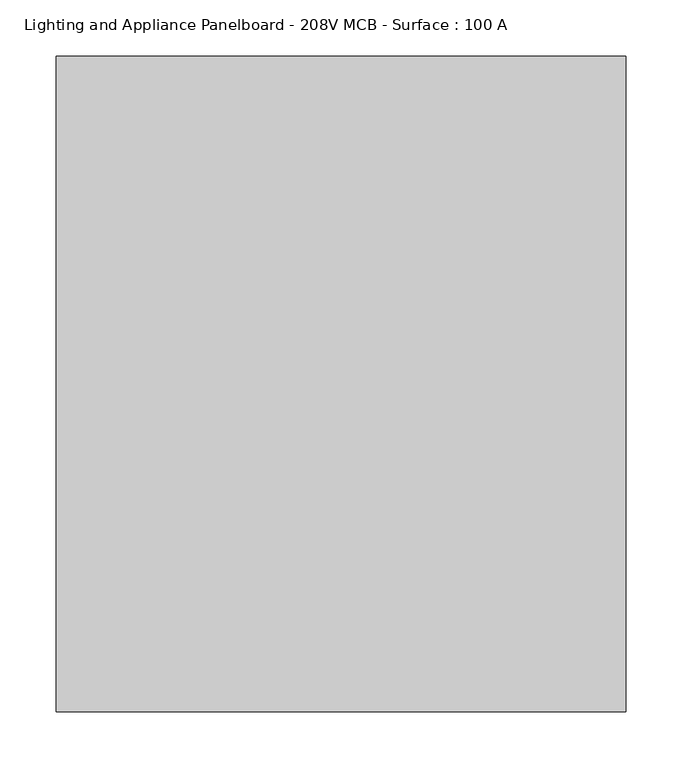
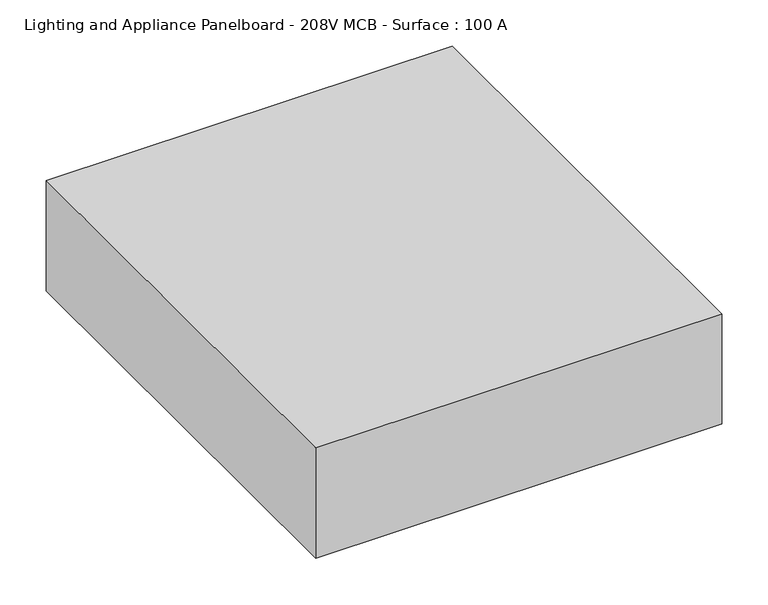
"""IFC4 building model written with IfcOpenShell, lengths in millimetres: proxy geometry, Lighting and Appliance Panelboard - 208V MCB - Surface : 100 A."""

from ifc_helpers import new_model, si_unit, origin, origin_with_axes, place, context, project, spatial, polyline, outline, extrude, source, transform, mapped, element, save


def lighting_and_appliance_panelboard_208v_mcb_surface_100_a_d77b24c2(model_context):
    return source(origin(), model_context, "Body", "SweptSolid", [
        extrude(outline(polyline([(349.2594706, 55.9943297), (349.2594706, -528.2056703), (-158.7405294, -528.2056703), (-158.7405294, 55.9943297), (349.2594706, 55.9943297)])), origin_with_axes(), (0.0, 0.0, 1.0), 146.05),
    ])


if __name__ == "__main__":
    model = new_model("IFC4")
    model_context = context("Model", 3, world=origin())
    ifc_project = project(units=[si_unit("LENGTHUNIT", "METRE", prefix="MILLI")], contexts=[model_context])
    site = spatial("IfcSite", under=ifc_project)
    building = spatial("IfcBuilding", under=site)
    placement = place(None, origin())
    lighting_and_appliance_panelboard_208v_mcb_surface_100_a_shape = lighting_and_appliance_panelboard_208v_mcb_surface_100_a_d77b24c2(model_context)
    element("IfcBuildingElementProxy", 1, Name="Lighting and Appliance Panelboard - 208V MCB - Surface : 100 A", ObjectType="Lighting and Appliance Panelboard - 208V MCB - Surface : 100 A", at=placement, inside=building, context=model_context, shape_type="MappedRepresentation", body=[
        mapped(lighting_and_appliance_panelboard_208v_mcb_surface_100_a_shape, transform((0.0, 0.0, 0.0), x_axis=(1.0, 0.0, 0.0), y_axis=(0.0, 1.0, 0.0), z_axis=(0.0, 0.0, 1.0))),
    ])
    save(model, "model.ifc")
